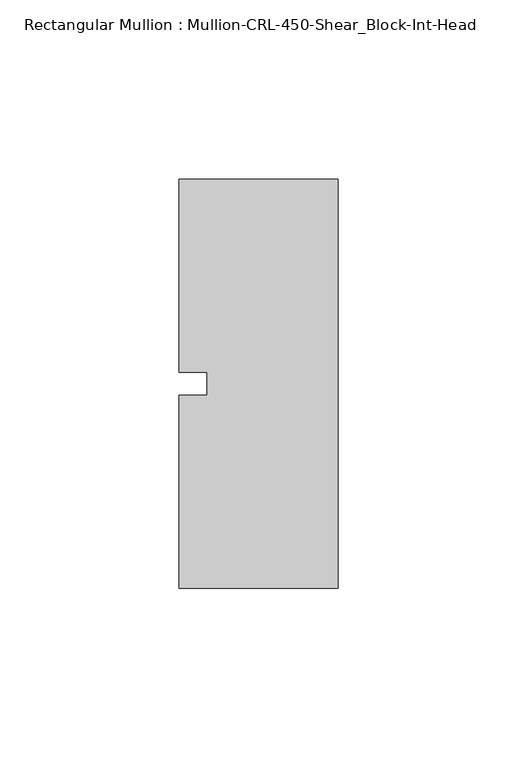
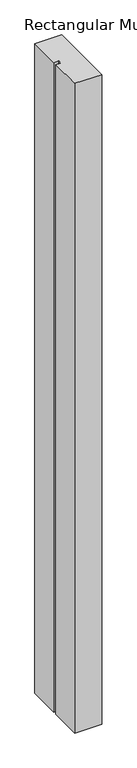
"""IFC4 building model written with IfcOpenShell, lengths in millimetres: member geometry, Rectangular Mullion : Mullion-CRL-450-Shear_Block-Int-Head."""

from ifc_helpers import new_model, si_unit, frame, origin, place, context, project, spatial, polyline, outline, extrude, source, transform, mapped, element, save


def rectangular_mullion_mullion_crl_450_shear_block_int_head_f2b0d1ea(model_context):
    return source(origin(), model_context, "Body", "SweptSolid", [
        extrude(outline(polyline([(0.0, 57.15), (0.0, -57.15), (-44.45, -57.15), (-44.45, -3.175), (-36.5125, -3.175), (-36.5125, 3.175), (-44.45, 3.175), (-44.45, 57.15), (0.0, 57.15)])), frame((0.0, 0.0, -1135.591609), z_axis=(0.0, 0.0, 1.0), x_axis=(1.0, 0.0, 0.0)), (0.0, 0.0, 1.0), 1135.591609),
    ])


if __name__ == "__main__":
    model = new_model("IFC4")
    model_context = context("Model", 3, world=origin())
    ifc_project = project(units=[si_unit("LENGTHUNIT", "METRE", prefix="MILLI")], contexts=[model_context])
    site = spatial("IfcSite", under=ifc_project)
    building = spatial("IfcBuilding", under=site)
    placement = place(None, origin())
    rectangular_mullion_mullion_crl_450_shear_block_int_head_shape = rectangular_mullion_mullion_crl_450_shear_block_int_head_f2b0d1ea(model_context)
    element("IfcMember", 1, ObjectType="Rectangular Mullion : Mullion-CRL-450-Shear_Block-Int-Head", at=placement, inside=building, context=model_context, shape_type="MappedRepresentation", body=[
        mapped(rectangular_mullion_mullion_crl_450_shear_block_int_head_shape, transform((0.0, 0.0, 0.0), x_axis=(1.0, 0.0, 0.0), y_axis=(0.0, 1.0, 0.0), z_axis=(0.0, 0.0, 1.0))),
    ])
    save(model, "model.ifc")
